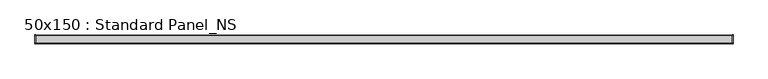
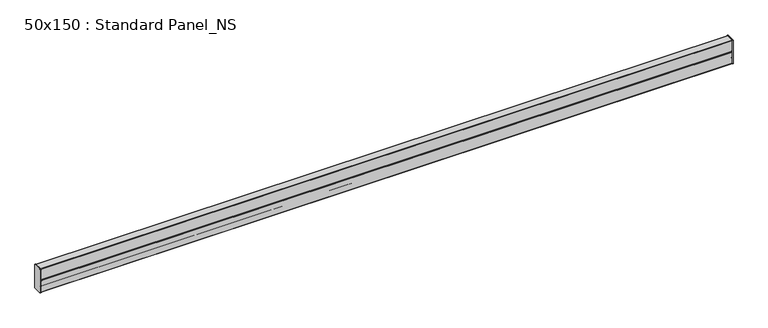
"""IFC4 building model written with IfcOpenShell, lengths in millimetres: proxy geometry, 50x150 : Standard Panel_NS."""

import ifcopenshell
import ifcopenshell.guid

model = None  # the IFC model being written
_history = None  # IfcOwnerHistory: only IFC2X3 demands one
_inside = {}  # id of a spatial element -> (the spatial element, [elements in it])
_under = {}  # id of a project, library or spatial element -> (it, [spatial elements below it])
_declared = {}  # id of a project -> (the project, [libraries it declares])
_typed = {}  # id of a type object -> (the type object, [elements of that type])
_made_of = {}  # id of a material, layer set ... -> (it, [elements and type objects made of it])


def new_model(schema):
    """Start an empty IFC model of exactly this schema.

    Asked for "IFC4X3", IfcOpenShell would pick the latest addendum, in which some entities
    have other attributes; the version numbers below select the first issue.
    IFC2X3 requires an IfcOwnerHistory on every rooted entity: one is made here for all.
    """
    global model, _history
    if schema == "IFC4X3":
        model = ifcopenshell.file(schema_version=(4, 3, 0, 0))
    else:
        model = ifcopenshell.file(schema=schema)
    _inside.clear()
    _under.clear()
    _declared.clear()
    _typed.clear()
    _made_of.clear()
    _history = None
    if model.schema == "IFC2X3":
        org = make("IfcOrganization", Name="unknown")
        user = make(
            "IfcPersonAndOrganization",
            ThePerson=make("IfcPerson", FamilyName="unknown"),
            TheOrganization=org,
        )
        app = make(
            "IfcApplication",
            ApplicationDeveloper=org,
            Version="unknown",
            ApplicationFullName="unknown",
            ApplicationIdentifier="unknown",
        )
        _history = make(
            "IfcOwnerHistory",
            OwningUser=user,
            OwningApplication=app,
            ChangeAction="ADDED",
            CreationDate=0,
        )
    return model


def make(cls, **values):
    """One entity of the class cls with the attributes given. An attribute that is None is left unset."""
    return model.create_entity(
        cls, **{name: value for name, value in values.items() if value is not None}
    )


def rooted(cls, **values):
    """An entity with a GlobalId (a new one), such as an element, a storey or a relation."""
    return make(cls, GlobalId=ifcopenshell.guid.new(), OwnerHistory=_history, **values)


def si_unit(unit_type, name, prefix=None):
    """IfcSIUnit, for example si_unit("LENGTHUNIT", "METRE", prefix="MILLI")."""
    return make("IfcSIUnit", UnitType=unit_type, Prefix=prefix, Name=name)


def assignment(units):
    """IfcUnitAssignment: the units of a project."""
    return None if units is None else make("IfcUnitAssignment", Units=units)


def point(xyz):
    """IfcCartesianPoint."""
    return None if xyz is None else make("IfcCartesianPoint", Coordinates=xyz)


def direction(xyz):
    """IfcDirection."""
    return None if xyz is None else make("IfcDirection", DirectionRatios=xyz)


def frame(location, z_axis=None, x_axis=None):
    """IfcAxis2Placement3D, a coordinate frame: its origin and axes. An axis left out is left unset."""
    return make(
        "IfcAxis2Placement3D",
        Location=point(location),
        Axis=direction(z_axis),
        RefDirection=direction(x_axis),
    )


def frame_2d(location, x_axis=None):
    """IfcAxis2Placement2D, a coordinate frame in the plane: its origin and x axis."""
    return make(
        "IfcAxis2Placement2D", Location=point(location), RefDirection=direction(x_axis)
    )


def origin():
    """The frame at (0, 0, 0) with its axes left unset."""
    return frame((0.0, 0.0, 0.0))


def place(relative_to, where):
    """IfcLocalPlacement: puts the frame where relative to a parent placement (None: the world)."""
    return make(
        "IfcLocalPlacement", PlacementRelTo=relative_to, RelativePlacement=where
    )


def context(
    kind, dimensions, precision=None, world=None, true_north=None, identifier=None
):
    """IfcGeometricRepresentationContext, for example the 3D "Model" context."""
    return make(
        "IfcGeometricRepresentationContext",
        ContextIdentifier=identifier,
        ContextType=kind,
        CoordinateSpaceDimension=dimensions,
        Precision=precision,
        WorldCoordinateSystem=world,
        TrueNorth=true_north,
    )


def project(units=None, contexts=None):
    """IfcProject with its units and contexts."""
    return rooted(
        "IfcProject",
        Name="project",
        RepresentationContexts=contexts,
        UnitsInContext=assignment(units),
    )


def spatial(cls, under=None, at=None, **own):
    """A site, building, storey or space (cls), placed at a placement, below another one or the project."""
    s = rooted(cls, ObjectPlacement=at, **own)
    if under is not None:
        _under.setdefault(under.id(), (under, []))[1].append(s)
    return s


def polyline(points):
    """IfcPolyline through the points."""
    return make("IfcPolyline", Points=[point(p) for p in points])


def circle_curve(where, radius):
    """IfcCircle in the frame where."""
    return make("IfcCircle", Position=where, Radius=radius)


def trimmed(basis, trim1, trim2, sense, master):
    """IfcTrimmedCurve: the piece of a basis curve between two trims."""
    return make(
        "IfcTrimmedCurve",
        BasisCurve=basis,
        Trim1=trim1,
        Trim2=trim2,
        SenseAgreement=sense,
        MasterRepresentation=master,
    )


def segment(curve, same_sense, transition):
    """IfcCompositeCurveSegment."""
    return make(
        "IfcCompositeCurveSegment",
        Transition=transition,
        SameSense=same_sense,
        ParentCurve=curve,
    )


def composite_curve(segments, self_intersect=None):
    """IfcCompositeCurve: segments joined end to end."""
    return make("IfcCompositeCurve", Segments=segments, SelfIntersect=self_intersect)


def outline(outer, holes=None, kind="AREA"):
    """IfcArbitraryClosedProfileDef: a profile drawn as a closed curve; with holes, ...WithVoids."""
    if holes is None:
        return make("IfcArbitraryClosedProfileDef", ProfileType=kind, OuterCurve=outer)
    return make(
        "IfcArbitraryProfileDefWithVoids",
        ProfileType=kind,
        OuterCurve=outer,
        InnerCurves=holes,
    )


def extrude(swept, where, along, depth):
    """IfcExtrudedAreaSolid: the profile swept, set in the frame where, extruded along a direction by depth."""
    return make(
        "IfcExtrudedAreaSolid",
        SweptArea=swept,
        Position=where,
        ExtrudedDirection=direction(along),
        Depth=depth,
    )


def shape(context_of_items, identifier, shape_type, items):
    """IfcShapeRepresentation: the items that make up one representation, for example the "Body"."""
    return make(
        "IfcShapeRepresentation",
        ContextOfItems=context_of_items,
        RepresentationIdentifier=identifier,
        RepresentationType=shape_type,
        Items=items,
    )


def source(mapping_origin, context_of_items, identifier, shape_type, items):
    """IfcRepresentationMap: a shape defined once, which mapped items show again and again."""
    return make(
        "IfcRepresentationMap",
        MappingOrigin=mapping_origin,
        MappedRepresentation=shape(context_of_items, identifier, shape_type, items),
    )


def transform(
    local_origin,
    x_axis=None,
    y_axis=None,
    z_axis=None,
    scale=None,
    scale2=None,
    scale3=None,
    uniform=True,
):
    """IfcCartesianTransformationOperator3D, or its non-uniform kind. x_axis, y_axis, z_axis: its Axis1, 2, 3."""
    if uniform:
        return make(
            "IfcCartesianTransformationOperator3D",
            Axis1=direction(x_axis),
            Axis2=direction(y_axis),
            LocalOrigin=point(local_origin),
            Scale=scale,
            Axis3=direction(z_axis),
        )
    return make(
        "IfcCartesianTransformationOperator3DnonUniform",
        Axis1=direction(x_axis),
        Axis2=direction(y_axis),
        LocalOrigin=point(local_origin),
        Scale=scale,
        Axis3=direction(z_axis),
        Scale2=scale2,
        Scale3=scale3,
    )


def mapped(mapping_source, mapping_target):
    """IfcMappedItem: shows the shape of a source again, moved by a transform."""
    return make(
        "IfcMappedItem", MappingSource=mapping_source, MappingTarget=mapping_target
    )


def made_of(thing, what):
    """Note that an element or type object is made of a material, layer set ...; save() writes the relation."""
    if what is not None:
        _made_of.setdefault(what.id(), (what, []))[1].append(thing)
    return thing


def element(
    cls,
    number,
    at=None,
    inside=None,
    cuts=None,
    type_object=None,
    material=None,
    context=None,
    identifier="Body",
    shape_type=None,
    held_by="IfcProductDefinitionShape",
    body=None,
    shapes=None,
    **own,
):
    """One element of the class cls, such as IfcWall. Its Tag is "e" and its number.

    at: its placement. inside: the storey or other place that contains it. cuts: it is an
    opening in that element (IfcRelVoidsElement). A single representation is given by context,
    identifier, shape_type and body (its items); several are given by shapes. held_by: the class
    of the entity that holds the representations. save() writes the other relations.
    """
    e = rooted(cls, Tag="e%d" % number, ObjectPlacement=at, **own)
    if body is not None:
        shapes = [shape(context, identifier, shape_type, body)]
    if shapes is not None:
        e.Representation = make(held_by, Representations=shapes)
    if inside is not None:
        _inside.setdefault(inside.id(), (inside, []))[1].append(e)
    if cuts is not None:
        rooted(
            "IfcRelVoidsElement", RelatingBuildingElement=cuts, RelatedOpeningElement=e
        )
    if type_object is not None:
        _typed.setdefault(type_object.id(), (type_object, []))[1].append(e)
    return made_of(e, material)


def aggregate(whole, parts):
    """IfcRelAggregates: a whole, such as a stair, and the parts it consists of."""
    return rooted("IfcRelAggregates", RelatingObject=whole, RelatedObjects=parts)


def save(model, path):
    """Write the relations noted so far, then the file.

    IfcRelAggregates (storeys below a building ...), IfcRelContainedInSpatialStructure (elements
    in a storey), IfcRelDefinesByType, IfcRelAssociatesMaterial and IfcRelDeclares: one each for
    every whole, place, type object, material and project.
    """
    for whole, parts in _under.values():
        aggregate(whole, parts)
    for where, things in _inside.values():
        rooted(
            "IfcRelContainedInSpatialStructure",
            RelatedElements=things,
            RelatingStructure=where,
        )
    for kind, things in _typed.values():
        rooted("IfcRelDefinesByType", RelatedObjects=things, RelatingType=kind)
    for what, things in _made_of.values():
        rooted("IfcRelAssociatesMaterial", RelatedObjects=things, RelatingMaterial=what)
    for by, libraries in _declared.values():
        rooted("IfcRelDeclares", RelatingContext=by, RelatedDefinitions=libraries)
    model.write(path)


def proxy_50x150_standard_panel_ns_b08f77dd(model_context):
    return source(origin(), model_context, "Body", "SweptSolid", [
        extrude(outline(composite_curve([segment(trimmed(circle_curve(frame_2d((23.35, 148.35)), 3.65), [point((23.35, 152.0))], [point((27.0, 148.35))], False, "CARTESIAN"), True, "CONTINUOUS"), segment(polyline([(27.0, 148.35), (27.0, 1.65)]), True, "CONTINUOUS"), segment(trimmed(circle_curve(frame_2d((23.35, 1.65)), 3.65), [point((27.0, 1.65))], [point((23.35, -2.0))], False, "CARTESIAN"), True, "CONTINUOUS"), segment(polyline([(23.35, -2.0), (-23.35, -2.0)]), True, "CONTINUOUS"), segment(trimmed(circle_curve(frame_2d((-23.35, 1.65)), 3.65), [point((-23.35, -2.0))], [point((-27.0, 1.65))], False, "CARTESIAN"), True, "CONTINUOUS"), segment(polyline([(-27.0, 1.65), (-27.0, 148.35)]), True, "CONTINUOUS"), segment(trimmed(circle_curve(frame_2d((-23.35, 148.35)), 3.65), [point((-27.0, 148.35))], [point((-23.35, 152.0))], False, "CARTESIAN"), True, "CONTINUOUS"), segment(polyline([(-23.35, 152.0), (23.35, 152.0)]), True, "CONTINUOUS")], self_intersect=False)), frame((-4.0, 0.0, 0.0), z_axis=(1.0, 0.0, 0.0), x_axis=(0.0, 1.0, 0.0)), (0.0, 0.0, 1.0), 4.0),
        extrude(outline(composite_curve([segment(polyline([(-23.35, 152.0), (23.35, 152.0)]), True, "CONTINUOUS"), segment(trimmed(circle_curve(frame_2d((23.35, 148.35)), 3.65), [point((23.35, 152.0))], [point((27.0, 148.35))], False, "CARTESIAN"), True, "CONTINUOUS"), segment(polyline([(27.0, 148.35), (27.0, 1.65)]), True, "CONTINUOUS"), segment(trimmed(circle_curve(frame_2d((23.35, 1.65)), 3.65), [point((27.0, 1.65))], [point((23.35, -2.0))], False, "CARTESIAN"), True, "CONTINUOUS"), segment(polyline([(23.35, -2.0), (-23.35, -2.0)]), True, "CONTINUOUS"), segment(trimmed(circle_curve(frame_2d((-23.35, 1.65)), 3.65), [point((-23.35, -2.0))], [point((-27.0, 1.65))], False, "CARTESIAN"), True, "CONTINUOUS"), segment(polyline([(-27.0, 1.65), (-27.0, 148.35)]), True, "CONTINUOUS"), segment(trimmed(circle_curve(frame_2d((-23.35, 148.35)), 3.65), [point((-27.0, 148.35))], [point((-23.35, 152.0))], False, "CARTESIAN"), True, "CONTINUOUS")], self_intersect=False)), frame((4200.0, 0.0, 0.0), z_axis=(1.0, 0.0, 0.0), x_axis=(0.0, 1.0, 0.0)), (0.0, 0.0, 1.0), 4.0),
        extrude(outline(composite_curve([segment(trimmed(circle_curve(frame_2d((-21.6428932, 54.3987279)), 1.65), [point((-23.2928932, 54.3987279))], [point((-22.8096194, 55.5654541))], False, "CARTESIAN"), True, "CONTINUOUS"), segment(polyline([(-22.8096194, 55.5654541), (-13.1862915, 65.188782)]), True, "CONTINUOUS"), segment(trimmed(circle_curve(frame_2d((-13.8933983, 65.8958888)), 1.0), [point((-13.1862915, 65.188782))], [point((-13.1862915, 66.6029956))], True, "CARTESIAN"), True, "CONTINUOUS"), segment(polyline([(-13.1862915, 66.6029956), (-24.5167262, 77.9334303)]), True, "CONTINUOUS"), segment(trimmed(circle_curve(frame_2d((-23.35, 79.1001564)), 1.65), [point((-24.5167262, 77.9334303))], [point((-25.0, 79.1001564))], False, "CARTESIAN"), True, "CONTINUOUS"), segment(polyline([(-25.0, 79.1001564), (-25.0, 148.5172618)]), True, "CONTINUOUS"), segment(trimmed(circle_curve(frame_2d((-23.35, 148.5172618)), 1.65), [point((-25.0, 148.5172618))], [point((-23.35, 150.1672618))], False, "CARTESIAN"), True, "CONTINUOUS"), segment(polyline([(-23.35, 150.1672618), (23.35, 150.1672618)]), True, "CONTINUOUS"), segment(trimmed(circle_curve(frame_2d((23.35, 148.5172618)), 1.65), [point((23.35, 150.1672618))], [point((25.0, 148.5172618))], False, "CARTESIAN"), True, "CONTINUOUS"), segment(polyline([(25.0, 148.5172618), (25.0, 79.1001564)]), True, "CONTINUOUS"), segment(trimmed(circle_curve(frame_2d((23.35, 79.1001564)), 1.65), [point((25.0, 79.1001564))], [point((24.5167262, 77.9334303))], False, "CARTESIAN"), True, "CONTINUOUS"), segment(polyline([(24.5167262, 77.9334303), (13.1862915, 66.6029956)]), True, "CONTINUOUS"), segment(trimmed(circle_curve(frame_2d((13.8933983, 65.8958888)), 1.0), [point((13.1862915, 66.6029956))], [point((13.1862915, 65.188782))], True, "CARTESIAN"), True, "CONTINUOUS"), segment(polyline([(13.1862915, 65.188782), (22.8096194, 55.5654541)]), True, "CONTINUOUS"), segment(trimmed(circle_curve(frame_2d((21.6428932, 54.3987279)), 1.65), [point((22.8096194, 55.5654541))], [point((23.2928932, 54.3987279))], False, "CARTESIAN"), True, "CONTINUOUS"), segment(polyline([(23.2928932, 54.3987279), (23.2928932, 38.6673368)]), True, "CONTINUOUS"), segment(trimmed(circle_curve(frame_2d((21.7928932, 38.6673368)), 1.5), [point((23.2928932, 38.6673368))], [point((20.2928932, 38.6673368))], False, "CARTESIAN"), True, "CONTINUOUS"), segment(polyline([(20.2928932, 38.6673368), (20.2928932, 47.1673368), (21.2928932, 47.1673368), (21.2928932, 38.6673368)]), True, "CONTINUOUS"), segment(trimmed(circle_curve(frame_2d((21.7928932, 38.6673368)), 0.5), [point((21.2928932, 38.6673368))], [point((22.2928932, 38.6673368))], True, "CARTESIAN"), True, "CONTINUOUS"), segment(polyline([(22.2928932, 38.6673368), (22.2928932, 54.6679667), (12.4741595, 64.4867005)]), True, "CONTINUOUS"), segment(trimmed(circle_curve(frame_2d((13.888373, 65.900914)), 2.0), [point((12.4741595, 64.4867005))], [point((12.4741595, 67.3151276))], False, "CARTESIAN"), True, "CONTINUOUS"), segment(polyline([(12.4741595, 67.3151276), (24.0, 78.8409681), (24.0, 148.5172618)]), True, "CONTINUOUS"), segment(trimmed(circle_curve(frame_2d((23.35, 148.5172618)), 0.65), [point((24.0, 148.5172618))], [point((23.35, 149.1672618))], True, "CARTESIAN"), True, "CONTINUOUS"), segment(polyline([(23.35, 149.1672618), (-23.35, 149.1672618)]), True, "CONTINUOUS"), segment(trimmed(circle_curve(frame_2d((-23.35, 148.5172618)), 0.65), [point((-23.35, 149.1672618))], [point((-24.0, 148.5172618))], True, "CARTESIAN"), True, "CONTINUOUS"), segment(polyline([(-24.0, 148.5172618), (-24.0, 78.8409681), (-12.4741595, 67.3151276)]), True, "CONTINUOUS"), segment(trimmed(circle_curve(frame_2d((-13.888373, 65.900914)), 2.0), [point((-12.4741595, 67.3151276))], [point((-12.4741595, 64.4867005))], False, "CARTESIAN"), True, "CONTINUOUS"), segment(polyline([(-12.4741595, 64.4867005), (-22.2928932, 54.6679667), (-22.2928932, 38.6673368)]), True, "CONTINUOUS"), segment(trimmed(circle_curve(frame_2d((-21.7928932, 38.6673368)), 0.5), [point((-22.2928932, 38.6673368))], [point((-21.2928932, 38.6673368))], True, "CARTESIAN"), True, "CONTINUOUS"), segment(polyline([(-21.2928932, 38.6673368), (-21.2928932, 47.1673368), (-20.2928932, 47.1673368), (-20.2928932, 38.6673368)]), True, "CONTINUOUS"), segment(trimmed(circle_curve(frame_2d((-21.7928932, 38.6673368)), 1.5), [point((-20.2928932, 38.6673368))], [point((-23.2928932, 38.6673368))], False, "CARTESIAN"), True, "CONTINUOUS"), segment(polyline([(-23.2928932, 38.6673368), (-23.2928932, 54.3987279)]), True, "CONTINUOUS")], self_intersect=False)), frame((0.0, 0.0, 0.0), z_axis=(1.0, 0.0, 0.0), x_axis=(0.0, 1.0, 0.0)), (0.0, 0.0, 1.0), 4200.0),
        extrude(outline(composite_curve([segment(trimmed(circle_curve(frame_2d((23.5, 73.9969526)), 1.5), [point((22.0, 73.9969526))], [point((25.0, 73.9969526))], False, "CARTESIAN"), True, "CONTINUOUS"), segment(polyline([(25.0, 73.9969526), (25.0, 1.65)]), True, "CONTINUOUS"), segment(trimmed(circle_curve(frame_2d((23.35, 1.65)), 1.65), [point((25.0, 1.65))], [point((23.35, 0.0))], False, "CARTESIAN"), True, "CONTINUOUS"), segment(polyline([(23.35, 0.0), (-23.35, 0.0)]), True, "CONTINUOUS"), segment(trimmed(circle_curve(frame_2d((-23.35, 1.65)), 1.65), [point((-23.35, 0.0))], [point((-25.0, 1.65))], False, "CARTESIAN"), True, "CONTINUOUS"), segment(polyline([(-25.0, 1.65), (-25.0, 73.9969526)]), True, "CONTINUOUS"), segment(trimmed(circle_curve(frame_2d((-23.5, 73.9969526)), 1.5), [point((-25.0, 73.9969526))], [point((-22.0, 73.9969526))], False, "CARTESIAN"), True, "CONTINUOUS"), segment(polyline([(-22.0, 73.9969526), (-22.0, 60.4969526), (-23.0, 60.4969526), (-23.0, 73.9969526)]), True, "CONTINUOUS"), segment(trimmed(circle_curve(frame_2d((-23.5, 73.9969526)), 0.5), [point((-23.0, 73.9969526))], [point((-24.0, 73.9969526))], True, "CARTESIAN"), True, "CONTINUOUS"), segment(polyline([(-24.0, 73.9969526), (-24.0, 1.65)]), True, "CONTINUOUS"), segment(trimmed(circle_curve(frame_2d((-23.35, 1.65)), 0.65), [point((-24.0, 1.65))], [point((-23.35, 1.0))], True, "CARTESIAN"), True, "CONTINUOUS"), segment(polyline([(-23.35, 1.0), (23.35, 1.0)]), True, "CONTINUOUS"), segment(trimmed(circle_curve(frame_2d((23.35, 1.65)), 0.65), [point((23.35, 1.0))], [point((24.0, 1.65))], True, "CARTESIAN"), True, "CONTINUOUS"), segment(polyline([(24.0, 1.65), (24.0, 73.9969526)]), True, "CONTINUOUS"), segment(trimmed(circle_curve(frame_2d((23.5, 73.9969526)), 0.5), [point((24.0, 73.9969526))], [point((23.0, 73.9969526))], True, "CARTESIAN"), True, "CONTINUOUS"), segment(polyline([(23.0, 73.9969526), (23.0, 60.4969526), (22.0, 60.4969526), (22.0, 73.9969526)]), True, "CONTINUOUS")], self_intersect=False)), frame((0.0, 0.0, 0.0), z_axis=(1.0, 0.0, 0.0), x_axis=(0.0, 1.0, 0.0)), (0.0, 0.0, 1.0), 4200.0),
    ])


if __name__ == "__main__":
    model = new_model("IFC4")
    model_context = context("Model", 3, world=origin())
    ifc_project = project(units=[si_unit("LENGTHUNIT", "METRE", prefix="MILLI")], contexts=[model_context])
    site = spatial("IfcSite", under=ifc_project)
    building = spatial("IfcBuilding", under=site)
    placement = place(None, origin())
    proxy_50x150_standard_panel_ns_shape = proxy_50x150_standard_panel_ns_b08f77dd(model_context)
    element("IfcBuildingElementProxy", 1, Name="50x150 : Standard Panel_NS", ObjectType="50x150 : Standard Panel_NS", at=placement, inside=building, context=model_context, shape_type="MappedRepresentation", body=[
        mapped(proxy_50x150_standard_panel_ns_shape, transform((0.0, 0.0, 0.0), x_axis=(1.0, 0.0, 0.0), y_axis=(0.0, 1.0, 0.0), z_axis=(0.0, 0.0, 1.0))),
    ])
    save(model, "model.ifc")
